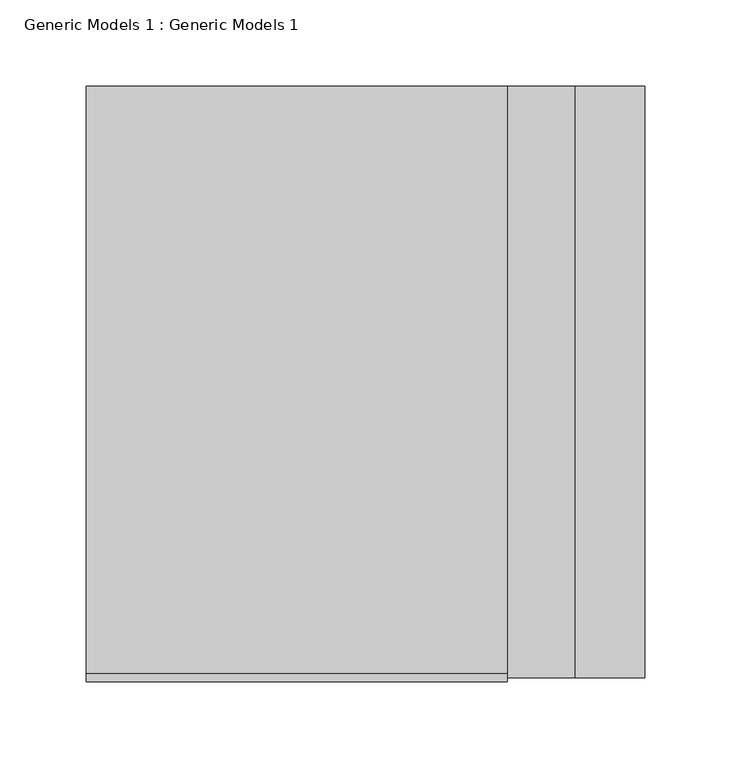
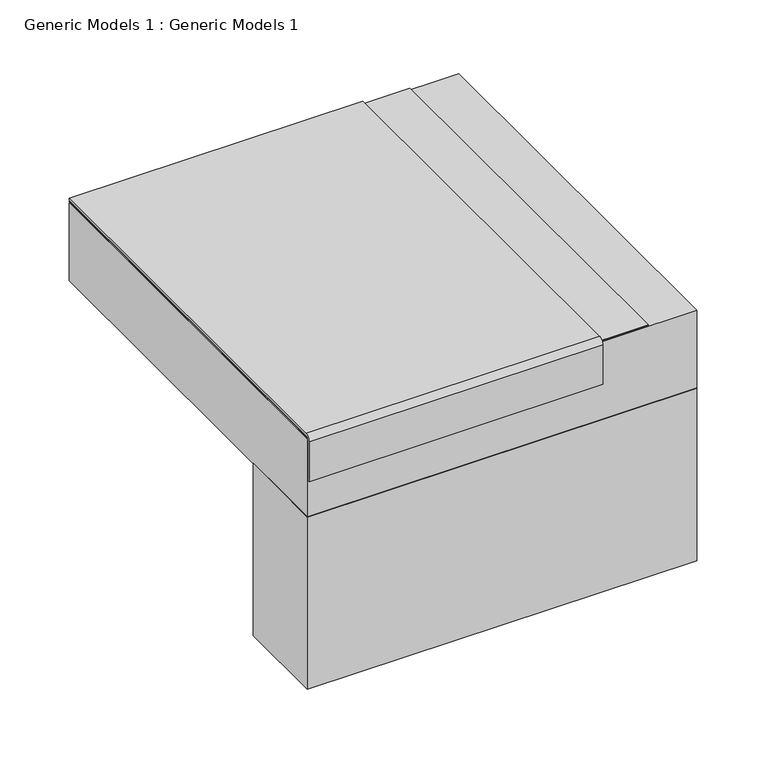
"""IFC4 building model written with IfcOpenShell, lengths in millimetres: proxy geometry, Generic Models 1 : Generic Models 1."""

from ifc_helpers import new_model, si_unit, point, frame, frame_2d, origin, place, context, project, spatial, polyline, circle_curve, trimmed, segment, composite_curve, outline, extrude, source, transform, mapped, element, save


def generic_models_1_generic_models_1_48bf6a23(model_context):
    return source(origin(), model_context, "Body", "SweptSolid", [
        extrude(outline(polyline([(387.35, 177.8), (387.35, 99.8539621), (63.5, 99.8539621), (63.5, 177.8), (387.35, 177.8)])), frame((0.0, 0.0, -31.75), z_axis=(0.0, 0.0, 1.0), x_axis=(1.0, 0.0, 0.0)), (0.0, 0.0, 1.0), 151.5980823),
        extrude(outline(composite_curve([segment(polyline([(442.7539621, 190.5), (102.2352121, 190.5)]), True, "CONTINUOUS"), segment(trimmed(circle_curve(frame_2d((102.2352121, 187.325)), 3.175), [point((102.2352121, 190.5))], [point((99.0602121, 187.325))], True, "CARTESIAN"), True, "CONTINUOUS"), segment(polyline([(99.0602121, 187.325), (99.0602121, 152.4), (97.4727121, 152.4), (97.4727121, 187.325)]), True, "CONTINUOUS"), segment(trimmed(circle_curve(frame_2d((102.2352121, 187.325)), 4.7625), [point((97.4727121, 187.325))], [point((102.2352121, 192.0875))], False, "CARTESIAN"), True, "CONTINUOUS"), segment(polyline([(102.2352121, 192.0875), (442.7539621, 192.0875), (442.7539621, 190.5)]), True, "CONTINUOUS")], self_intersect=False)), frame((63.5, 0.0, 0.0), z_axis=(1.0, 0.0, 0.0), x_axis=(0.0, 1.0, 0.0)), (0.0, 0.0, 1.0), 244.1101487),
        extrude(outline(polyline([(346.7092457, 442.7539621), (346.7092457, 99.8539621), (63.5, 99.8539621), (63.5, 442.7539621), (346.7092457, 442.7539621)])), frame((0.0, 0.0, 188.9125), z_axis=(0.0, 0.0, 1.0), x_axis=(1.0, 0.0, 0.0)), (0.0, 0.0, 1.0), 0.79375),
        extrude(outline(polyline([(387.35, 442.7539621), (387.35, 99.8539621), (63.5, 99.8539621), (63.5, 442.7539621), (387.35, 442.7539621)])), frame((0.0, 0.0, 119.8480823), z_axis=(0.0, 0.0, 1.0), x_axis=(1.0, 0.0, 0.0)), (0.0, 0.0, 1.0), 68.2706677),
    ])


if __name__ == "__main__":
    model = new_model("IFC4")
    model_context = context("Model", 3, world=origin())
    ifc_project = project(units=[si_unit("LENGTHUNIT", "METRE", prefix="MILLI")], contexts=[model_context])
    site = spatial("IfcSite", under=ifc_project)
    building = spatial("IfcBuilding", under=site)
    placement = place(None, origin())
    generic_models_1_generic_models_1_shape = generic_models_1_generic_models_1_48bf6a23(model_context)
    element("IfcBuildingElementProxy", 1, Name="Generic Models 1 : Generic Models 1", ObjectType="Generic Models 1 : Generic Models 1", at=placement, inside=building, context=model_context, shape_type="MappedRepresentation", body=[
        mapped(generic_models_1_generic_models_1_shape, transform((0.0, 0.0, 0.0), x_axis=(1.0, 0.0, 0.0), y_axis=(0.0, 1.0, 0.0), z_axis=(0.0, 0.0, 1.0))),
    ])
    save(model, "model.ifc")
